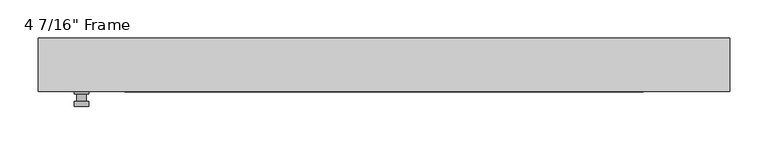
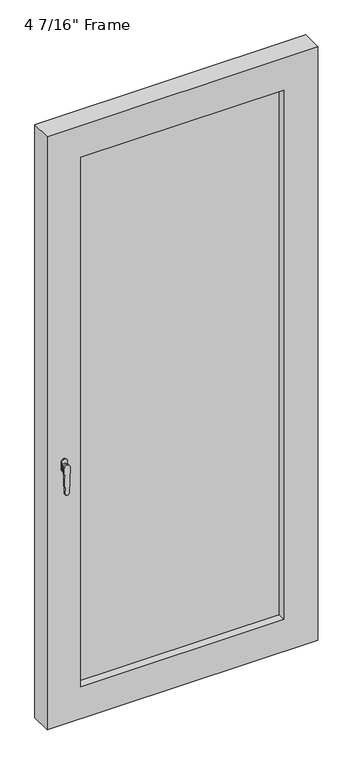
"""IFC4 building model written with IfcOpenShell, lengths in millimetres: plate geometry."""

import ifcopenshell
import ifcopenshell.guid

model = None  # the IFC model being written
_history = None  # IfcOwnerHistory: only IFC2X3 demands one
_inside = {}  # id of a spatial element -> (the spatial element, [elements in it])
_under = {}  # id of a project, library or spatial element -> (it, [spatial elements below it])
_declared = {}  # id of a project -> (the project, [libraries it declares])
_typed = {}  # id of a type object -> (the type object, [elements of that type])
_made_of = {}  # id of a material, layer set ... -> (it, [elements and type objects made of it])


def new_model(schema):
    """Start an empty IFC model of exactly this schema.

    Asked for "IFC4X3", IfcOpenShell would pick the latest addendum, in which some entities
    have other attributes; the version numbers below select the first issue.
    IFC2X3 requires an IfcOwnerHistory on every rooted entity: one is made here for all.
    """
    global model, _history
    if schema == "IFC4X3":
        model = ifcopenshell.file(schema_version=(4, 3, 0, 0))
    else:
        model = ifcopenshell.file(schema=schema)
    _inside.clear()
    _under.clear()
    _declared.clear()
    _typed.clear()
    _made_of.clear()
    _history = None
    if model.schema == "IFC2X3":
        org = make("IfcOrganization", Name="unknown")
        user = make(
            "IfcPersonAndOrganization",
            ThePerson=make("IfcPerson", FamilyName="unknown"),
            TheOrganization=org,
        )
        app = make(
            "IfcApplication",
            ApplicationDeveloper=org,
            Version="unknown",
            ApplicationFullName="unknown",
            ApplicationIdentifier="unknown",
        )
        _history = make(
            "IfcOwnerHistory",
            OwningUser=user,
            OwningApplication=app,
            ChangeAction="ADDED",
            CreationDate=0,
        )
    return model


def make(cls, **values):
    """One entity of the class cls with the attributes given. An attribute that is None is left unset."""
    return model.create_entity(
        cls, **{name: value for name, value in values.items() if value is not None}
    )


def rooted(cls, **values):
    """An entity with a GlobalId (a new one), such as an element, a storey or a relation."""
    return make(cls, GlobalId=ifcopenshell.guid.new(), OwnerHistory=_history, **values)


def si_unit(unit_type, name, prefix=None):
    """IfcSIUnit, for example si_unit("LENGTHUNIT", "METRE", prefix="MILLI")."""
    return make("IfcSIUnit", UnitType=unit_type, Prefix=prefix, Name=name)


def assignment(units):
    """IfcUnitAssignment: the units of a project."""
    return None if units is None else make("IfcUnitAssignment", Units=units)


def point(xyz):
    """IfcCartesianPoint."""
    return None if xyz is None else make("IfcCartesianPoint", Coordinates=xyz)


def direction(xyz):
    """IfcDirection."""
    return None if xyz is None else make("IfcDirection", DirectionRatios=xyz)


def frame(location, z_axis=None, x_axis=None):
    """IfcAxis2Placement3D, a coordinate frame: its origin and axes. An axis left out is left unset."""
    return make(
        "IfcAxis2Placement3D",
        Location=point(location),
        Axis=direction(z_axis),
        RefDirection=direction(x_axis),
    )


def origin():
    """The frame at (0, 0, 0) with its axes left unset."""
    return frame((0.0, 0.0, 0.0))


def place(relative_to, where):
    """IfcLocalPlacement: puts the frame where relative to a parent placement (None: the world)."""
    return make(
        "IfcLocalPlacement", PlacementRelTo=relative_to, RelativePlacement=where
    )


def context(
    kind, dimensions, precision=None, world=None, true_north=None, identifier=None
):
    """IfcGeometricRepresentationContext, for example the 3D "Model" context."""
    return make(
        "IfcGeometricRepresentationContext",
        ContextIdentifier=identifier,
        ContextType=kind,
        CoordinateSpaceDimension=dimensions,
        Precision=precision,
        WorldCoordinateSystem=world,
        TrueNorth=true_north,
    )


def project(units=None, contexts=None):
    """IfcProject with its units and contexts."""
    return rooted(
        "IfcProject",
        Name="project",
        RepresentationContexts=contexts,
        UnitsInContext=assignment(units),
    )


def spatial(cls, under=None, at=None, **own):
    """A site, building, storey or space (cls), placed at a placement, below another one or the project."""
    s = rooted(cls, ObjectPlacement=at, **own)
    if under is not None:
        _under.setdefault(under.id(), (under, []))[1].append(s)
    return s


def polyline(points):
    """IfcPolyline through the points."""
    return make("IfcPolyline", Points=[point(p) for p in points])


def circle_curve(where, radius):
    """IfcCircle in the frame where."""
    return make("IfcCircle", Position=where, Radius=radius)


def outline(outer, holes=None, kind="AREA"):
    """IfcArbitraryClosedProfileDef: a profile drawn as a closed curve; with holes, ...WithVoids."""
    if holes is None:
        return make("IfcArbitraryClosedProfileDef", ProfileType=kind, OuterCurve=outer)
    return make(
        "IfcArbitraryProfileDefWithVoids",
        ProfileType=kind,
        OuterCurve=outer,
        InnerCurves=holes,
    )


def extrude(swept, where, along, depth):
    """IfcExtrudedAreaSolid: the profile swept, set in the frame where, extruded along a direction by depth."""
    return make(
        "IfcExtrudedAreaSolid",
        SweptArea=swept,
        Position=where,
        ExtrudedDirection=direction(along),
        Depth=depth,
    )


def faces_of(points, faces, orient=None, outer=None):
    """IfcFace entities. A face is a list of loops; a loop is a list of indices into points, from 0.

    orient and outer hold one flag for each loop. By default every Orientation is true, the
    first loop of a face is its IfcFaceOuterBound and the others are IfcFaceBound.
    """
    made = []
    for i, loops in enumerate(faces):
        bounds = []
        for j, loop in enumerate(loops):
            is_outer = j == 0 if outer is None else outer[i][j]
            bounds.append(
                make(
                    "IfcFaceOuterBound" if is_outer else "IfcFaceBound",
                    Bound=make("IfcPolyLoop", Polygon=[points[k] for k in loop]),
                    Orientation=True if orient is None else orient[i][j],
                )
            )
        made.append(make("IfcFace", Bounds=bounds))
    return made


def faceted_brep(points, faces, orient=None, outer=None, voids=None):
    """IfcFacetedBrep: a solid bounded by flat faces; with voids (closed shells), ...WithVoids."""
    shared = [point(p) for p in points]
    hull = make("IfcClosedShell", CfsFaces=faces_of(shared, faces, orient, outer))
    if voids is None:
        return make("IfcFacetedBrep", Outer=hull)
    return make(
        "IfcFacetedBrepWithVoids",
        Outer=hull,
        Voids=[
            make(cls, CfsFaces=faces_of(shared, fs, o, b)) for cls, fs, o, b in voids
        ],
    )


def shape(context_of_items, identifier, shape_type, items):
    """IfcShapeRepresentation: the items that make up one representation, for example the "Body"."""
    return make(
        "IfcShapeRepresentation",
        ContextOfItems=context_of_items,
        RepresentationIdentifier=identifier,
        RepresentationType=shape_type,
        Items=items,
    )


def source(mapping_origin, context_of_items, identifier, shape_type, items):
    """IfcRepresentationMap: a shape defined once, which mapped items show again and again."""
    return make(
        "IfcRepresentationMap",
        MappingOrigin=mapping_origin,
        MappedRepresentation=shape(context_of_items, identifier, shape_type, items),
    )


def transform(
    local_origin,
    x_axis=None,
    y_axis=None,
    z_axis=None,
    scale=None,
    scale2=None,
    scale3=None,
    uniform=True,
):
    """IfcCartesianTransformationOperator3D, or its non-uniform kind. x_axis, y_axis, z_axis: its Axis1, 2, 3."""
    if uniform:
        return make(
            "IfcCartesianTransformationOperator3D",
            Axis1=direction(x_axis),
            Axis2=direction(y_axis),
            LocalOrigin=point(local_origin),
            Scale=scale,
            Axis3=direction(z_axis),
        )
    return make(
        "IfcCartesianTransformationOperator3DnonUniform",
        Axis1=direction(x_axis),
        Axis2=direction(y_axis),
        LocalOrigin=point(local_origin),
        Scale=scale,
        Axis3=direction(z_axis),
        Scale2=scale2,
        Scale3=scale3,
    )


def mapped(mapping_source, mapping_target):
    """IfcMappedItem: shows the shape of a source again, moved by a transform."""
    return make(
        "IfcMappedItem", MappingSource=mapping_source, MappingTarget=mapping_target
    )


def made_of(thing, what):
    """Note that an element or type object is made of a material, layer set ...; save() writes the relation."""
    if what is not None:
        _made_of.setdefault(what.id(), (what, []))[1].append(thing)
    return thing


def element(
    cls,
    number,
    at=None,
    inside=None,
    cuts=None,
    type_object=None,
    material=None,
    context=None,
    identifier="Body",
    shape_type=None,
    held_by="IfcProductDefinitionShape",
    body=None,
    shapes=None,
    **own,
):
    """One element of the class cls, such as IfcWall. Its Tag is "e" and its number.

    at: its placement. inside: the storey or other place that contains it. cuts: it is an
    opening in that element (IfcRelVoidsElement). A single representation is given by context,
    identifier, shape_type and body (its items); several are given by shapes. held_by: the class
    of the entity that holds the representations. save() writes the other relations.
    """
    e = rooted(cls, Tag="e%d" % number, ObjectPlacement=at, **own)
    if body is not None:
        shapes = [shape(context, identifier, shape_type, body)]
    if shapes is not None:
        e.Representation = make(held_by, Representations=shapes)
    if inside is not None:
        _inside.setdefault(inside.id(), (inside, []))[1].append(e)
    if cuts is not None:
        rooted(
            "IfcRelVoidsElement", RelatingBuildingElement=cuts, RelatedOpeningElement=e
        )
    if type_object is not None:
        _typed.setdefault(type_object.id(), (type_object, []))[1].append(e)
    return made_of(e, material)


def aggregate(whole, parts):
    """IfcRelAggregates: a whole, such as a stair, and the parts it consists of."""
    return rooted("IfcRelAggregates", RelatingObject=whole, RelatedObjects=parts)


def save(model, path):
    """Write the relations noted so far, then the file.

    IfcRelAggregates (storeys below a building ...), IfcRelContainedInSpatialStructure (elements
    in a storey), IfcRelDefinesByType, IfcRelAssociatesMaterial and IfcRelDeclares: one each for
    every whole, place, type object, material and project.
    """
    for whole, parts in _under.values():
        aggregate(whole, parts)
    for where, things in _inside.values():
        rooted(
            "IfcRelContainedInSpatialStructure",
            RelatedElements=things,
            RelatingStructure=where,
        )
    for kind, things in _typed.values():
        rooted("IfcRelDefinesByType", RelatedObjects=things, RelatingType=kind)
    for what, things in _made_of.values():
        rooted("IfcRelAssociatesMaterial", RelatedObjects=things, RelatingMaterial=what)
    for by, libraries in _declared.values():
        rooted("IfcRelDeclares", RelatingContext=by, RelatedDefinitions=libraries)
    model.write(path)


def plane_surface(at):
    """IfcPlane: the flat surface through the origin of the frame at, square to its z axis."""
    return make("IfcPlane", Position=at)


def cylinder_surface(at, radius):
    """IfcCylindricalSurface: all points at the distance radius from the z axis of the frame at."""
    return make("IfcCylindricalSurface", Position=at, Radius=radius)


def advanced_brep(points, edges, surfaces, faces):
    """IfcAdvancedBrep: a solid bounded by faces that lie on surfaces and meet in shared edges.

    An edge is (start, end): straight between two places in points (the first is 0);
    or (start, end, curve); or (start, end, curve, False) where it runs against its curve.
    A face is (place in surfaces, loops), or (place, loops, False) where it looks against
    its surface's normal. A loop lists edges by number (the first is 1), with a minus sign
    where the edge is run from its end to its start. The first loop is the outer one.
    """
    corners = [point(p) for p in points]
    vertices = [make("IfcVertexPoint", VertexGeometry=c) for c in corners]
    made = []
    for start, end, *more in edges:
        made.append(
            make(
                "IfcEdgeCurve",
                EdgeStart=vertices[start],
                EdgeEnd=vertices[end],
                EdgeGeometry=more[0] if more else make("IfcPolyline", Points=[corners[start], corners[end]]),
                SameSense=more[1] if len(more) > 1 else True,
            )
        )
    hull = []
    for where, loops, *sense in faces:
        bounds = []
        for j, loop in enumerate(loops):
            ring = [make("IfcOrientedEdge", EdgeElement=made[abs(k) - 1], Orientation=k > 0) for k in loop]
            bounds.append(
                make(
                    "IfcFaceOuterBound" if j == 0 else "IfcFaceBound",
                    Bound=make("IfcEdgeLoop", EdgeList=ring),
                    Orientation=True,
                )
            )
        hull.append(make("IfcAdvancedFace", Bounds=bounds, FaceSurface=surfaces[where], SameSense=sense[0] if sense else True))
    return make("IfcAdvancedBrep", Outer=make("IfcClosedShell", CfsFaces=hull))


def plate_185545d3(model_context):
    return source(origin(), model_context, "Body", "SolidModel", [
        advanced_brep(
        [(-385.28625, -34.925, 927.1), (-385.28625, -34.925, 901.7), (-404.33625, -34.925, 901.7), (-404.33625, -34.925, 927.1), (-388.46125, -47.625, 914.4), (-401.16125, -47.625, 914.4), (-401.16125, -38.1, 914.4), (-388.46125, -38.1, 914.4), (-385.28625, -47.625, 914.4), (-388.4652856, -47.625, 825.2736467), (-401.1572144, -47.625, 825.2736467), (-404.33625, -47.625, 914.4), (-385.28625, -53.975, 914.4), (-404.33625, -53.975, 914.4), (-401.1572144, -53.975, 825.2736467), (-388.4652856, -53.975, 825.2736467), (-385.28625, -38.1, 927.1), (-404.33625, -38.1, 927.1), (-404.33625, -38.1, 901.7), (-385.28625, -38.1, 901.7)],
        [
            (0, 1),
            (1, 2, circle_curve(frame((-394.81125, -34.925, 901.7), z_axis=(0.0, 1.0, 0.0), x_axis=(-1.0, 0.0, 0.0)), 9.525)),
            (2, 3),
            (3, 0, circle_curve(frame((-394.81125, -34.925, 927.1), z_axis=(0.0, 1.0, 0.0), x_axis=(-1.0, 0.0, 0.0)), 9.525)),
            (4, 5, circle_curve(frame((-394.81125, -47.625, 914.4), z_axis=(0.0, 1.0, 0.0), x_axis=(-1.0, 0.0, 0.0)), 6.35)),
            (5, 6),
            (6, 7, circle_curve(frame((-394.81125, -38.1, 914.4), z_axis=(0.0, -1.0, 0.0), x_axis=(-1.0, 0.0, 0.0)), 6.35)),
            (7, 4),
            (5, 4, circle_curve(frame((-394.81125, -47.625, 914.4), z_axis=(0.0, 1.0, 0.0), x_axis=(-1.0, 0.0, 0.0)), 6.35)),
            (7, 6, circle_curve(frame((-394.81125, -38.1, 914.4), z_axis=(0.0, -1.0, 0.0), x_axis=(-1.0, 0.0, 0.0)), 6.35)),
            (8, 9),
            (9, 10, circle_curve(frame((-394.81125, -47.625, 825.5), z_axis=(0.0, 1.0, 0.0), x_axis=(-1.0, 0.0, 0.0)), 6.35)),
            (10, 11),
            (11, 8, circle_curve(frame((-394.81125, -47.625, 914.4), z_axis=(0.0, 1.0, 0.0), x_axis=(-1.0, 0.0, 0.0)), 9.525)),
            (12, 13, circle_curve(frame((-394.81125, -53.975, 914.4), z_axis=(0.0, -1.0, 0.0), x_axis=(-1.0, 0.0, 0.0)), 9.525)),
            (13, 14),
            (14, 15, circle_curve(frame((-394.81125, -53.975, 825.5), z_axis=(0.0, -1.0, 0.0), x_axis=(-1.0, 0.0, 0.0)), 6.35)),
            (15, 12),
            (8, 12),
            (15, 9),
            (14, 10),
            (13, 11),
            (16, 17, circle_curve(frame((-394.81125, -38.1, 927.1), z_axis=(0.0, -1.0, 0.0), x_axis=(-1.0, 0.0, 0.0)), 9.525)),
            (17, 18),
            (18, 19, circle_curve(frame((-394.81125, -38.1, 901.7), z_axis=(0.0, -1.0, 0.0), x_axis=(-1.0, 0.0, 0.0)), 9.525)),
            (19, 16),
            (0, 16),
            (19, 1),
            (18, 2),
            (17, 3),
        ],
        [
            plane_surface(frame((-401.16125, -34.925, 914.4), z_axis=(0.0, 1.0, 0.0), x_axis=(0.0, 0.0, 1.0))),
            cylinder_surface(frame((-394.81125, -47.625, 914.4), z_axis=(0.0, 1.0, 0.0), x_axis=(-1.0, 0.0, 0.0)), 6.35),
            plane_surface(frame((-385.28625, -47.625, 914.4), z_axis=(0.0, 1.0000000000000002, 0.0), x_axis=(-0.03564619348186888, 0.0, -0.9993644724975235))),
            plane_surface(frame((-385.28625, -53.975, 914.4), z_axis=(0.0, -1.0000000000000002, 0.0), x_axis=(0.03564619348186888, 0.0, 0.9993644724975235))),
            plane_surface(frame((-385.28625, -47.625, 914.4), z_axis=(0.9993644724975235, 0.0, -0.03564619348186888), x_axis=(0.0, -1.0, 0.0))),
            cylinder_surface(frame((-394.81125, -53.975, 825.5), z_axis=(0.0, 1.0, 0.0), x_axis=(-1.0, 0.0, 0.0)), 6.35),
            plane_surface(frame((-401.1572144, -47.625, 825.2736467), z_axis=(-0.9993644724975228, 0.0, -0.03564619348188612), x_axis=(0.0, -1.0, 0.0))),
            cylinder_surface(frame((-394.81125, -53.975, 914.4), z_axis=(0.0, 1.0, 0.0), x_axis=(-1.0, 0.0, 0.0)), 9.525),
            plane_surface(frame((-385.28625, -38.1, 901.7), z_axis=(0.0, -1.0, 0.0), x_axis=(0.0, 0.0, 1.0))),
            plane_surface(frame((-385.28625, -34.925, 927.1), z_axis=(1.0, 0.0, 0.0), x_axis=(0.0, -1.0, 0.0))),
            cylinder_surface(frame((-394.81125, -38.1, 901.7), z_axis=(0.0, 1.0, 0.0), x_axis=(-1.0, 0.0, 0.0)), 9.525),
            plane_surface(frame((-404.33625, -34.925, 901.7), z_axis=(-1.0, 0.0, 0.0), x_axis=(0.0, -1.0, 0.0))),
            cylinder_surface(frame((-394.81125, -38.1, 927.1), z_axis=(0.0, 1.0, 0.0), x_axis=(-1.0, 0.0, 0.0)), 9.525),
        ],
        [
            (0, [[1, 2, 3, 4]]),
            (1, [[5, 6, 7, 8]]),
            (1, [[9, -8, 10, -6]]),
            (2, [[11, 12, 13, 14], [-5, -9]]),
            (3, [[15, 16, 17, 18]]),
            (4, [[-11, 19, -18, 20]]),
            (5, [[-12, -20, -17, 21]]),
            (6, [[-13, -21, -16, 22]]),
            (7, [[-14, -22, -15, -19]]),
            (8, [[23, 24, 25, 26], [-7, -10]]),
            (9, [[-1, 27, -26, 28]]),
            (10, [[-2, -28, -25, 29]]),
            (11, [[-3, -29, -24, 30]]),
            (12, [[-4, -30, -23, -27]]),
        ],
    ),
        faceted_brep([(-451.1675, -34.925, 0.0), (-451.1675, 34.925, 0.0), (451.1675, 34.925, 0.0), (451.1675, -34.925, 0.0), (-338.455, 34.925, 1978.025), (-338.455, 15.875, 1978.025), (-338.455, 15.875, 112.7125), (-338.455, 34.925, 112.7125), (351.155, 15.875, 1990.725), (-351.155, 15.875, 1990.725), (-351.155, 15.875, 100.0125), (351.155, 15.875, 100.0125), (338.455, 15.875, 1978.025), (338.455, 15.875, 112.7125), (-351.155, -7.9375, 1990.725), (-351.155, -7.9375, 100.0125), (351.155, -7.9375, 1990.725), (351.155, -7.9375, 100.0125), (-338.455, -7.9375, 1978.025), (-338.455, -7.9375, 112.7125), (338.455, -7.9375, 112.7125), (338.455, -7.9375, 1978.025), (-338.455, -34.925, 1978.025), (-338.455, -34.925, 112.7125), (451.1675, -34.925, 2090.7375), (-451.1675, -34.925, 2090.7375), (338.455, -34.925, 1978.025), (338.455, -34.925, 112.7125), (-451.1675, 34.925, 2090.7375), (451.1675, 34.925, 2090.7375), (338.455, 34.925, 112.7125), (338.455, 34.925, 1978.025)], [[[0, 1, 2, 3]], [[4, 5, 6, 7]], [[8, 9, 10, 11], [5, 12, 13, 6]], [[10, 9, 14, 15]], [[14, 16, 17, 15], [18, 19, 20, 21]], [[18, 22, 23, 19]], [[0, 3, 24, 25], [22, 26, 27, 23]], [[1, 0, 25, 28]], [[2, 1, 28, 29], [4, 7, 30, 31]], [[5, 4, 31, 12]], [[9, 8, 16, 14]], [[18, 21, 26, 22]], [[25, 24, 29, 28]], [[12, 31, 30, 13]], [[17, 16, 8, 11]], [[26, 21, 20, 27]], [[24, 3, 2, 29]], [[23, 27, 20, 19]], [[11, 10, 15, 17]], [[6, 13, 30, 7]]]),
        extrude(outline(polyline([(351.155, -7.9375), (-351.155, -7.9375), (-351.155, 15.875), (351.155, 15.875), (351.155, -7.9375)])), frame((0.0, 0.0, 100.0125), z_axis=(0.0, 0.0, 1.0), x_axis=(1.0, 0.0, 0.0)), (0.0, 0.0, 1.0), 1890.7125),
    ])


if __name__ == "__main__":
    model = new_model("IFC4")
    model_context = context("Model", 3, world=origin())
    ifc_project = project(units=[si_unit("LENGTHUNIT", "METRE", prefix="MILLI")], contexts=[model_context])
    site = spatial("IfcSite", under=ifc_project)
    building = spatial("IfcBuilding", under=site)
    placement = place(None, origin())
    plate_shape = plate_185545d3(model_context)
    element("IfcPlate", 1, ObjectType="4 7/16\" Frame", at=placement, inside=building, context=model_context, shape_type="MappedRepresentation", body=[
        mapped(plate_shape, transform((0.0, 0.0, 0.0), x_axis=(1.0, 0.0, 0.0), y_axis=(0.0, 1.0, 0.0), z_axis=(0.0, 0.0, 1.0))),
    ])
    save(model, "model.ifc")
